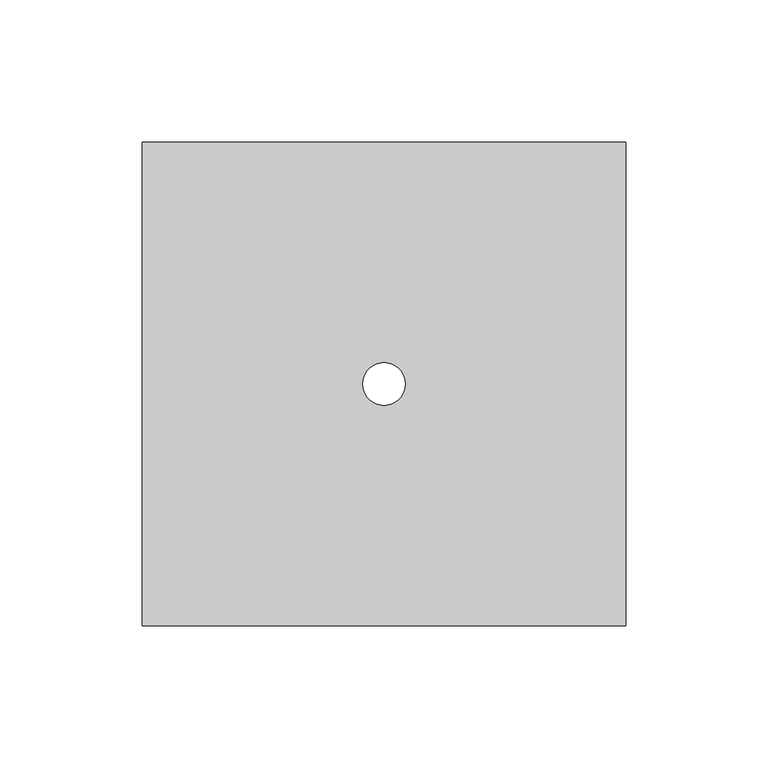
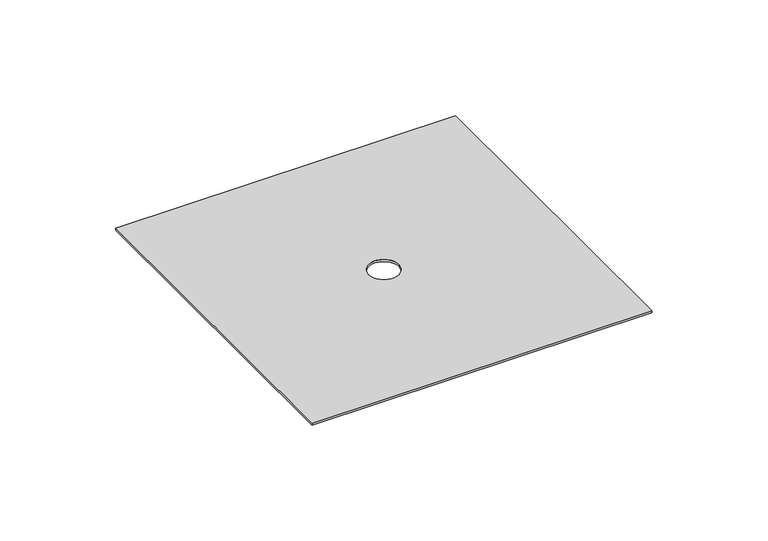
"""IFC4 building model written with IfcOpenShell, lengths in millimetres: proxy geometry."""

from ifc_helpers import new_model, si_unit, point, origin, origin_with_axes, origin_2d, place, context, project, spatial, polyline, circle_curve, trimmed, segment, composite_curve, outline, extrude, source, transform, mapped, element, save


def generic_models_0c2ccfa2(model_context):
    return source(origin(), model_context, "Body", "SweptSolid", [
        extrude(outline(polyline([(85.0, 85.0), (85.0, -85.0), (-85.0, -85.0), (-85.0, 85.0), (85.0, 85.0)]), holes=[composite_curve([segment(trimmed(circle_curve(origin_2d(), 7.5), [point((-7.5, 0.0))], [point((7.5, 0.0))], True, "CARTESIAN"), True, "CONTINUOUS"), segment(trimmed(circle_curve(origin_2d(), 7.5), [point((7.5, 0.0))], [point((-7.5, 0.0))], True, "CARTESIAN"), True, "CONTINUOUS")], self_intersect=False)]), origin_with_axes(), (0.0, 0.0, 1.0), 1.0),
    ])


if __name__ == "__main__":
    model = new_model("IFC4")
    model_context = context("Model", 3, world=origin())
    ifc_project = project(units=[si_unit("LENGTHUNIT", "METRE", prefix="MILLI")], contexts=[model_context])
    site = spatial("IfcSite", under=ifc_project)
    building = spatial("IfcBuilding", under=site)
    placement = place(None, origin())
    generic_models_shape = generic_models_0c2ccfa2(model_context)
    element("IfcBuildingElementProxy", 1, Name="Generic Models", at=placement, inside=building, context=model_context, shape_type="MappedRepresentation", body=[
        mapped(generic_models_shape, transform((0.0, 0.0, 0.0), x_axis=(1.0, 0.0, 0.0), y_axis=(0.0, 1.0, 0.0), z_axis=(0.0, 0.0, 1.0))),
    ])
    save(model, "model.ifc")
